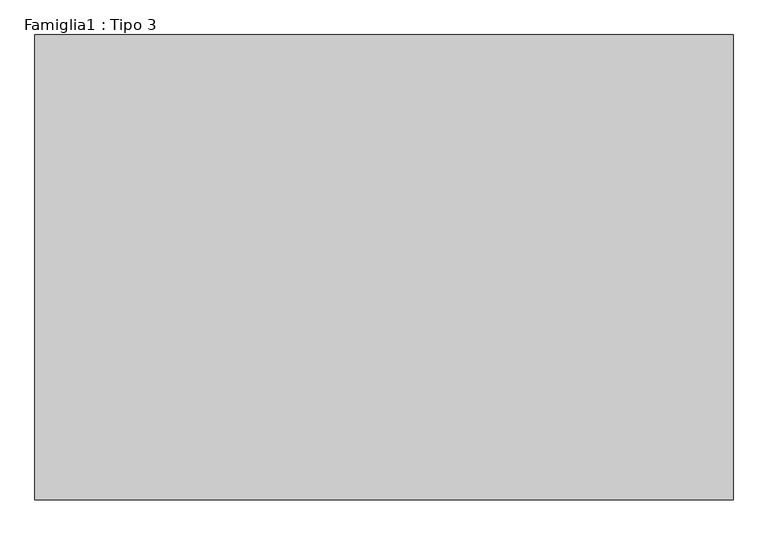
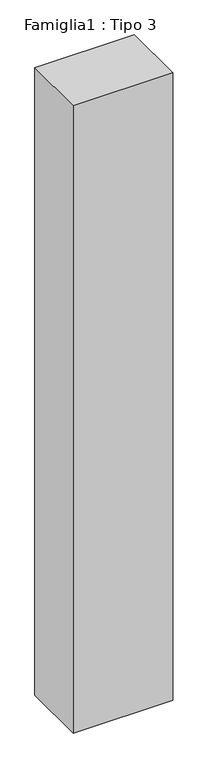
"""IFC4 building model written with IfcOpenShell, lengths in millimetres: proxy geometry, Famiglia1 : Tipo 3."""

import ifcopenshell
import ifcopenshell.guid

model = None  # the IFC model being written
_history = None  # IfcOwnerHistory: only IFC2X3 demands one
_inside = {}  # id of a spatial element -> (the spatial element, [elements in it])
_under = {}  # id of a project, library or spatial element -> (it, [spatial elements below it])
_declared = {}  # id of a project -> (the project, [libraries it declares])
_typed = {}  # id of a type object -> (the type object, [elements of that type])
_made_of = {}  # id of a material, layer set ... -> (it, [elements and type objects made of it])


def new_model(schema):
    """Start an empty IFC model of exactly this schema.

    Asked for "IFC4X3", IfcOpenShell would pick the latest addendum, in which some entities
    have other attributes; the version numbers below select the first issue.
    IFC2X3 requires an IfcOwnerHistory on every rooted entity: one is made here for all.
    """
    global model, _history
    if schema == "IFC4X3":
        model = ifcopenshell.file(schema_version=(4, 3, 0, 0))
    else:
        model = ifcopenshell.file(schema=schema)
    _inside.clear()
    _under.clear()
    _declared.clear()
    _typed.clear()
    _made_of.clear()
    _history = None
    if model.schema == "IFC2X3":
        org = make("IfcOrganization", Name="unknown")
        user = make(
            "IfcPersonAndOrganization",
            ThePerson=make("IfcPerson", FamilyName="unknown"),
            TheOrganization=org,
        )
        app = make(
            "IfcApplication",
            ApplicationDeveloper=org,
            Version="unknown",
            ApplicationFullName="unknown",
            ApplicationIdentifier="unknown",
        )
        _history = make(
            "IfcOwnerHistory",
            OwningUser=user,
            OwningApplication=app,
            ChangeAction="ADDED",
            CreationDate=0,
        )
    return model


def make(cls, **values):
    """One entity of the class cls with the attributes given. An attribute that is None is left unset."""
    return model.create_entity(
        cls, **{name: value for name, value in values.items() if value is not None}
    )


def rooted(cls, **values):
    """An entity with a GlobalId (a new one), such as an element, a storey or a relation."""
    return make(cls, GlobalId=ifcopenshell.guid.new(), OwnerHistory=_history, **values)


def si_unit(unit_type, name, prefix=None):
    """IfcSIUnit, for example si_unit("LENGTHUNIT", "METRE", prefix="MILLI")."""
    return make("IfcSIUnit", UnitType=unit_type, Prefix=prefix, Name=name)


def assignment(units):
    """IfcUnitAssignment: the units of a project."""
    return None if units is None else make("IfcUnitAssignment", Units=units)


def point(xyz):
    """IfcCartesianPoint."""
    return None if xyz is None else make("IfcCartesianPoint", Coordinates=xyz)


def direction(xyz):
    """IfcDirection."""
    return None if xyz is None else make("IfcDirection", DirectionRatios=xyz)


def frame(location, z_axis=None, x_axis=None):
    """IfcAxis2Placement3D, a coordinate frame: its origin and axes. An axis left out is left unset."""
    return make(
        "IfcAxis2Placement3D",
        Location=point(location),
        Axis=direction(z_axis),
        RefDirection=direction(x_axis),
    )


def origin():
    """The frame at (0, 0, 0) with its axes left unset."""
    return frame((0.0, 0.0, 0.0))


def origin_with_axes():
    """The frame at (0, 0, 0) with the z axis (0, 0, 1) and the x axis (1, 0, 0) written out."""
    return frame((0.0, 0.0, 0.0), z_axis=(0.0, 0.0, 1.0), x_axis=(1.0, 0.0, 0.0))


def place(relative_to, where):
    """IfcLocalPlacement: puts the frame where relative to a parent placement (None: the world)."""
    return make(
        "IfcLocalPlacement", PlacementRelTo=relative_to, RelativePlacement=where
    )


def context(
    kind, dimensions, precision=None, world=None, true_north=None, identifier=None
):
    """IfcGeometricRepresentationContext, for example the 3D "Model" context."""
    return make(
        "IfcGeometricRepresentationContext",
        ContextIdentifier=identifier,
        ContextType=kind,
        CoordinateSpaceDimension=dimensions,
        Precision=precision,
        WorldCoordinateSystem=world,
        TrueNorth=true_north,
    )


def project(units=None, contexts=None):
    """IfcProject with its units and contexts."""
    return rooted(
        "IfcProject",
        Name="project",
        RepresentationContexts=contexts,
        UnitsInContext=assignment(units),
    )


def spatial(cls, under=None, at=None, **own):
    """A site, building, storey or space (cls), placed at a placement, below another one or the project."""
    s = rooted(cls, ObjectPlacement=at, **own)
    if under is not None:
        _under.setdefault(under.id(), (under, []))[1].append(s)
    return s


def polyline(points):
    """IfcPolyline through the points."""
    return make("IfcPolyline", Points=[point(p) for p in points])


def outline(outer, holes=None, kind="AREA"):
    """IfcArbitraryClosedProfileDef: a profile drawn as a closed curve; with holes, ...WithVoids."""
    if holes is None:
        return make("IfcArbitraryClosedProfileDef", ProfileType=kind, OuterCurve=outer)
    return make(
        "IfcArbitraryProfileDefWithVoids",
        ProfileType=kind,
        OuterCurve=outer,
        InnerCurves=holes,
    )


def extrude(swept, where, along, depth):
    """IfcExtrudedAreaSolid: the profile swept, set in the frame where, extruded along a direction by depth."""
    return make(
        "IfcExtrudedAreaSolid",
        SweptArea=swept,
        Position=where,
        ExtrudedDirection=direction(along),
        Depth=depth,
    )


def shape(context_of_items, identifier, shape_type, items):
    """IfcShapeRepresentation: the items that make up one representation, for example the "Body"."""
    return make(
        "IfcShapeRepresentation",
        ContextOfItems=context_of_items,
        RepresentationIdentifier=identifier,
        RepresentationType=shape_type,
        Items=items,
    )


def source(mapping_origin, context_of_items, identifier, shape_type, items):
    """IfcRepresentationMap: a shape defined once, which mapped items show again and again."""
    return make(
        "IfcRepresentationMap",
        MappingOrigin=mapping_origin,
        MappedRepresentation=shape(context_of_items, identifier, shape_type, items),
    )


def transform(
    local_origin,
    x_axis=None,
    y_axis=None,
    z_axis=None,
    scale=None,
    scale2=None,
    scale3=None,
    uniform=True,
):
    """IfcCartesianTransformationOperator3D, or its non-uniform kind. x_axis, y_axis, z_axis: its Axis1, 2, 3."""
    if uniform:
        return make(
            "IfcCartesianTransformationOperator3D",
            Axis1=direction(x_axis),
            Axis2=direction(y_axis),
            LocalOrigin=point(local_origin),
            Scale=scale,
            Axis3=direction(z_axis),
        )
    return make(
        "IfcCartesianTransformationOperator3DnonUniform",
        Axis1=direction(x_axis),
        Axis2=direction(y_axis),
        LocalOrigin=point(local_origin),
        Scale=scale,
        Axis3=direction(z_axis),
        Scale2=scale2,
        Scale3=scale3,
    )


def mapped(mapping_source, mapping_target):
    """IfcMappedItem: shows the shape of a source again, moved by a transform."""
    return make(
        "IfcMappedItem", MappingSource=mapping_source, MappingTarget=mapping_target
    )


def made_of(thing, what):
    """Note that an element or type object is made of a material, layer set ...; save() writes the relation."""
    if what is not None:
        _made_of.setdefault(what.id(), (what, []))[1].append(thing)
    return thing


def element(
    cls,
    number,
    at=None,
    inside=None,
    cuts=None,
    type_object=None,
    material=None,
    context=None,
    identifier="Body",
    shape_type=None,
    held_by="IfcProductDefinitionShape",
    body=None,
    shapes=None,
    **own,
):
    """One element of the class cls, such as IfcWall. Its Tag is "e" and its number.

    at: its placement. inside: the storey or other place that contains it. cuts: it is an
    opening in that element (IfcRelVoidsElement). A single representation is given by context,
    identifier, shape_type and body (its items); several are given by shapes. held_by: the class
    of the entity that holds the representations. save() writes the other relations.
    """
    e = rooted(cls, Tag="e%d" % number, ObjectPlacement=at, **own)
    if body is not None:
        shapes = [shape(context, identifier, shape_type, body)]
    if shapes is not None:
        e.Representation = make(held_by, Representations=shapes)
    if inside is not None:
        _inside.setdefault(inside.id(), (inside, []))[1].append(e)
    if cuts is not None:
        rooted(
            "IfcRelVoidsElement", RelatingBuildingElement=cuts, RelatedOpeningElement=e
        )
    if type_object is not None:
        _typed.setdefault(type_object.id(), (type_object, []))[1].append(e)
    return made_of(e, material)


def aggregate(whole, parts):
    """IfcRelAggregates: a whole, such as a stair, and the parts it consists of."""
    return rooted("IfcRelAggregates", RelatingObject=whole, RelatedObjects=parts)


def save(model, path):
    """Write the relations noted so far, then the file.

    IfcRelAggregates (storeys below a building ...), IfcRelContainedInSpatialStructure (elements
    in a storey), IfcRelDefinesByType, IfcRelAssociatesMaterial and IfcRelDeclares: one each for
    every whole, place, type object, material and project.
    """
    for whole, parts in _under.values():
        aggregate(whole, parts)
    for where, things in _inside.values():
        rooted(
            "IfcRelContainedInSpatialStructure",
            RelatedElements=things,
            RelatingStructure=where,
        )
    for kind, things in _typed.values():
        rooted("IfcRelDefinesByType", RelatedObjects=things, RelatingType=kind)
    for what, things in _made_of.values():
        rooted("IfcRelAssociatesMaterial", RelatedObjects=things, RelatingMaterial=what)
    for by, libraries in _declared.values():
        rooted("IfcRelDeclares", RelatingContext=by, RelatedDefinitions=libraries)
    model.write(path)


def famiglia1_tipo_3_990d69b4(model_context):
    return source(origin(), model_context, "Body", "SweptSolid", [
        extrude(outline(polyline([(3000.0, -2000.0), (0.0, -2000.0), (0.0, 0.0), (3000.0, 0.0), (3000.0, -2000.0)])), origin_with_axes(), (0.0, 0.0, 1.0), 20000.0),
    ])


if __name__ == "__main__":
    model = new_model("IFC4")
    model_context = context("Model", 3, world=origin())
    ifc_project = project(units=[si_unit("LENGTHUNIT", "METRE", prefix="MILLI")], contexts=[model_context])
    site = spatial("IfcSite", under=ifc_project)
    building = spatial("IfcBuilding", under=site)
    placement = place(None, origin())
    famiglia1_tipo_3_shape = famiglia1_tipo_3_990d69b4(model_context)
    element("IfcBuildingElementProxy", 1, Name="Famiglia1 : Tipo 3", ObjectType="Famiglia1 : Tipo 3", at=placement, inside=building, context=model_context, shape_type="MappedRepresentation", body=[
        mapped(famiglia1_tipo_3_shape, transform((0.0, 0.0, 0.0), x_axis=(1.0, 0.0, 0.0), y_axis=(0.0, 1.0, 0.0), z_axis=(0.0, 0.0, 1.0))),
    ])
    save(model, "model.ifc")
